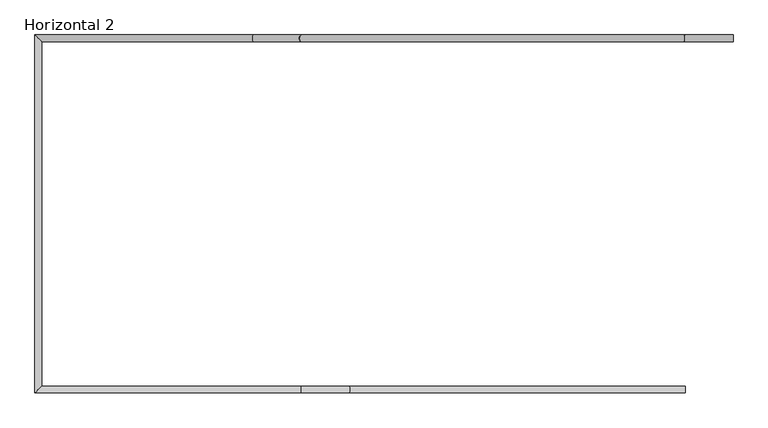
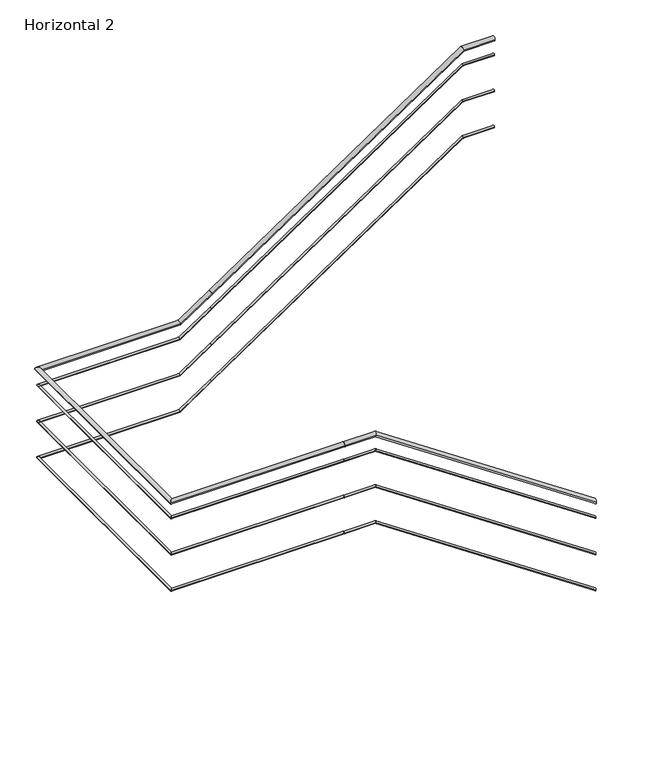
"""IFC4 building model written with IfcOpenShell, lengths in millimetres: railing geometry, Horizontal 2."""

from ifc_helpers import new_model, si_unit, frame, origin, place, context, project, spatial, circle_curve, ellipse_curve, source, transform, mapped, element, save
from ifc_brep_helpers import plane_surface, cylinder_surface, advanced_brep


def horizontal_2_a5421986(model_context):
    return source(origin(), model_context, "Body", "AdvancedBrep", [
        advanced_brep(
        [(27223.6802172, 2580.0722769, 1168.2352941), (27223.6802172, 2540.0722769, 1168.2352941), (25263.6802172, 2540.0722769, 2485.8823529), (25263.6802172, 2580.0722769, 2485.8823529), (24983.6802172, 2580.0722769, 2485.8823529), (24983.6802172, 2540.0722769, 2485.8823529)],
        [
            (0, 1, ellipse_curve(frame((27223.6802172, 2560.0722769, 1168.2352941), z_axis=(1.0, 0.0, 0.0), x_axis=(0.0, 0.0, -1.0)), 24.0993401, 20.0)),
            (1, 0, ellipse_curve(frame((27223.6802172, 2560.0722769, 1168.2352941), z_axis=(1.0, 0.0, 0.0), x_axis=(0.0, 0.0, -1.0)), 24.0993401, 20.0)),
            (1, 2),
            (2, 3, ellipse_curve(frame((25263.6802172, 2560.0722769, 2485.8823529), z_axis=(0.9565297283578037, 0.0, -0.29163483805565177), x_axis=(-0.2916348380556515, 0.0, -0.9565297283578038)), 20.9089163, 20.0)),
            (3, 0),
            (3, 2, ellipse_curve(frame((25263.6802172, 2560.0722769, 2485.8823529), z_axis=(0.9565297283578037, 0.0, -0.29163483805565177), x_axis=(-0.2916348380556515, 0.0, -0.9565297283578038)), 20.9089163, 20.0)),
            (4, 5, circle_curve(frame((24983.6802172, 2560.0722769, 2485.8823529), z_axis=(-1.0, 0.0, 0.0), x_axis=(0.0, -1.0, 0.0)), 20.0)),
            (5, 4, circle_curve(frame((24983.6802172, 2560.0722769, 2485.8823529), z_axis=(-1.0, 0.0, 0.0), x_axis=(0.0, -1.0, 0.0)), 20.0)),
            (2, 5),
            (4, 3),
        ],
        [
            plane_surface(frame((27223.6802172, 2560.0722769, 1168.2352941), z_axis=(1.0, 0.0, 0.0), x_axis=(0.0, -1.0, 0.0))),
            cylinder_surface(frame((27223.6802172, 2560.0722769, 1168.2352941), z_axis=(0.8298982424645077, 0.0, -0.5579147848500892), x_axis=(0.0, -1.0, 0.0)), 20.0),
            plane_surface(frame((24983.6802172, 2560.0722769, 2485.8823529), z_axis=(-1.0, 0.0, 0.0), x_axis=(0.0, -1.0, 0.0))),
            cylinder_surface(frame((25263.6802172, 2560.0722769, 2485.8823529), z_axis=(1.0, 0.0, 0.0), x_axis=(0.0, -1.0, 0.0)), 20.0),
        ],
        [
            (0, [[1, 2]]),
            (1, [[-2, 3, 4, 5]]),
            (1, [[-1, -5, 6, -3]]),
            (2, [[7, 8]]),
            (3, [[-4, 9, -7, 10]]),
            (3, [[-6, -10, -8, -9]]),
        ],
    ),
        advanced_brep(
        [(24983.6802172, 2580.0722769, 2485.8823529), (24983.6802172, 2540.0722769, 2485.8823529), (23469.0802172, 2580.0722769, 2485.8823529), (23429.0802172, 2540.0722769, 2485.8823529)],
        [
            (0, 1, circle_curve(frame((24983.6802172, 2560.0722769, 2485.8823529), z_axis=(1.0, 0.0, 0.0), x_axis=(0.0, -1.0, 0.0)), 20.0)),
            (1, 0, circle_curve(frame((24983.6802172, 2560.0722769, 2485.8823529), z_axis=(1.0, 0.0, 0.0), x_axis=(0.0, -1.0, 0.0)), 20.0)),
            (2, 3, ellipse_curve(frame((23449.0802172, 2560.0722769, 2485.8823529), z_axis=(-0.7071067811865462, 0.7071067811865488, 0.0), x_axis=(0.7071067811865488, 0.7071067811865462, 0.0)), 28.2842712, 20.0)),
            (3, 2, ellipse_curve(frame((23449.0802172, 2560.0722769, 2485.8823529), z_axis=(-0.7071067811865462, 0.7071067811865488, 0.0), x_axis=(0.7071067811865488, 0.7071067811865462, 0.0)), 28.2842712, 20.0)),
            (1, 3),
            (2, 0),
        ],
        [
            plane_surface(frame((24983.6802172, 2560.0722769, 2485.8823529), z_axis=(1.0, 0.0, 0.0), x_axis=(0.0, -1.0, 0.0))),
            plane_surface(frame((23449.0802172, 2560.0722769, 2485.8823529), z_axis=(-0.7071067811865462, 0.7071067811865488, 0.0), x_axis=(0.7071067811865488, 0.7071067811865462, 0.0))),
            cylinder_surface(frame((24983.6802172, 2560.0722769, 2485.8823529), z_axis=(1.0, 0.0, 0.0), x_axis=(0.0, -1.0, 0.0)), 20.0),
        ],
        [
            (0, [[1, 2]]),
            (1, [[3, 4]]),
            (2, [[-2, 5, -3, 6]]),
            (2, [[-1, -6, -4, -5]]),
        ],
    ),
        advanced_brep(
        [(23469.0802172, 2580.0722769, 2485.8823529), (23429.0802172, 2540.0722769, 2485.8823529), (23469.0802172, 4589.2722769, 2485.8823529), (23429.0802172, 4629.2722769, 2485.8823529)],
        [
            (0, 1, ellipse_curve(frame((23449.0802172, 2560.0722769, 2485.8823529), z_axis=(0.7071067811865462, -0.7071067811865488, 0.0), x_axis=(-0.7071067811865488, -0.7071067811865462, 0.0)), 28.2842712, 20.0)),
            (1, 0, ellipse_curve(frame((23449.0802172, 2560.0722769, 2485.8823529), z_axis=(0.7071067811865462, -0.7071067811865488, 0.0), x_axis=(-0.7071067811865488, -0.7071067811865462, 0.0)), 28.2842712, 20.0)),
            (2, 3, ellipse_curve(frame((23449.0802172, 4609.2722769, 2485.8823529), z_axis=(0.7071067811865488, 0.7071067811865462, 0.0), x_axis=(0.7071067811865462, -0.7071067811865488, 0.0)), 28.2842712, 20.0)),
            (3, 2, ellipse_curve(frame((23449.0802172, 4609.2722769, 2485.8823529), z_axis=(0.7071067811865488, 0.7071067811865462, 0.0), x_axis=(0.7071067811865462, -0.7071067811865488, 0.0)), 28.2842712, 20.0)),
            (1, 3),
            (2, 0),
        ],
        [
            plane_surface(frame((23449.0802172, 2560.0722769, 2485.8823529), z_axis=(0.7071067811865462, -0.7071067811865488, 0.0), x_axis=(0.7071067811865488, 0.7071067811865462, 0.0))),
            plane_surface(frame((23449.0802172, 4609.2722769, 2485.8823529), z_axis=(0.7071067811865488, 0.7071067811865462, 0.0), x_axis=(0.7071067811865462, -0.7071067811865488, 0.0))),
            cylinder_surface(frame((23449.0802172, 2560.0722769, 2485.8823529), z_axis=(0.0, -1.0, 0.0), x_axis=(-1.0, 0.0, 0.0)), 20.0),
        ],
        [
            (0, [[1, 2]]),
            (1, [[3, 4]]),
            (2, [[-2, 5, -3, 6]]),
            (2, [[-1, -6, -4, -5]]),
        ],
    ),
        advanced_brep(
        [(23469.0802172, 4589.2722769, 2485.8823529), (23429.0802172, 4629.2722769, 2485.8823529), (24703.6802172, 4629.2722769, 2485.8823529), (24703.6802172, 4589.2722769, 2485.8823529), (24983.6802172, 4589.2722769, 2674.1176471), (24983.6802172, 4629.2722769, 2674.1176471)],
        [
            (0, 1, ellipse_curve(frame((23449.0802172, 4609.2722769, 2485.8823529), z_axis=(-0.7071067811865488, -0.7071067811865462, 0.0), x_axis=(-0.7071067811865462, 0.7071067811865488, 0.0)), 28.2842712, 20.0)),
            (1, 0, ellipse_curve(frame((23449.0802172, 4609.2722769, 2485.8823529), z_axis=(-0.7071067811865488, -0.7071067811865462, 0.0), x_axis=(-0.7071067811865462, 0.7071067811865488, 0.0)), 28.2842712, 20.0)),
            (1, 2),
            (2, 3, ellipse_curve(frame((24703.6802172, 4609.2722769, 2485.8823529), z_axis=(-0.9565297283578037, 0.0, -0.29163483805565144), x_axis=(-0.29163483805565227, 0.0, 0.9565297283578036)), 20.9089163, 20.0)),
            (3, 0),
            (3, 2, ellipse_curve(frame((24703.6802172, 4609.2722769, 2485.8823529), z_axis=(-0.9565297283578037, 0.0, -0.29163483805565144), x_axis=(-0.29163483805565227, 0.0, 0.9565297283578036)), 20.9089163, 20.0)),
            (4, 5, circle_curve(frame((24983.6802172, 4609.2722769, 2674.1176471), z_axis=(0.8298982424645079, 0.0, 0.5579147848500888), x_axis=(0.0, 1.0, 0.0)), 20.0)),
            (5, 4, circle_curve(frame((24983.6802172, 4609.2722769, 2674.1176471), z_axis=(0.8298982424645079, 0.0, 0.5579147848500888), x_axis=(0.0, 1.0, 0.0)), 20.0)),
            (2, 5),
            (4, 3),
        ],
        [
            plane_surface(frame((23449.0802172, 4609.2722769, 2485.8823529), z_axis=(-0.7071067811865488, -0.7071067811865462, 0.0), x_axis=(0.7071067811865462, -0.7071067811865488, 0.0))),
            cylinder_surface(frame((23449.0802172, 4609.2722769, 2485.8823529), z_axis=(-1.0, 0.0, 0.0), x_axis=(0.0, 1.0, 0.0)), 20.0),
            plane_surface(frame((24983.6802172, 4609.2722769, 2674.1176471), z_axis=(0.8298982424645079, 0.0, 0.5579147848500888), x_axis=(0.5579147848500888, 0.0, -0.8298982424645079))),
            cylinder_surface(frame((24703.6802172, 4609.2722769, 2485.8823529), z_axis=(-0.8298982424645079, 0.0, -0.5579147848500888), x_axis=(0.0, 1.0, 0.0)), 20.0),
        ],
        [
            (0, [[1, 2]]),
            (1, [[-2, 3, 4, 5]]),
            (1, [[-1, -5, 6, -3]]),
            (2, [[7, 8]]),
            (3, [[-4, 9, -7, 10]]),
            (3, [[-6, -10, -8, -9]]),
        ],
    ),
        advanced_brep(
        [(24983.6802172, 4589.2722769, 2674.1176471), (24983.6802172, 4629.2722769, 2674.1176471), (27223.6802172, 4629.2722769, 4180.0), (27223.6802172, 4589.2722769, 4180.0), (27503.6802172, 4589.2722769, 4180.0), (27503.6802172, 4629.2722769, 4180.0)],
        [
            (0, 1, circle_curve(frame((24983.6802172, 4609.2722769, 2674.1176471), z_axis=(-0.8298982424645078, 0.0, -0.557914784850089), x_axis=(0.0, 1.0, 0.0)), 20.0)),
            (1, 0, circle_curve(frame((24983.6802172, 4609.2722769, 2674.1176471), z_axis=(-0.8298982424645078, 0.0, -0.557914784850089), x_axis=(0.0, 1.0, 0.0)), 20.0)),
            (1, 2),
            (2, 3, ellipse_curve(frame((27223.6802172, 4609.2722769, 4180.0), z_axis=(-0.9565297283578038, 0.0, -0.2916348380556516), x_axis=(0.2916348380556518, 0.0, -0.9565297283578036)), 20.9089163, 20.0)),
            (3, 0),
            (3, 2, ellipse_curve(frame((27223.6802172, 4609.2722769, 4180.0), z_axis=(-0.9565297283578038, 0.0, -0.2916348380556516), x_axis=(0.2916348380556518, 0.0, -0.9565297283578036)), 20.9089163, 20.0)),
            (4, 5, circle_curve(frame((27503.6802172, 4609.2722769, 4180.0), z_axis=(1.0, 0.0, 0.0), x_axis=(0.0, 1.0, 0.0)), 20.0)),
            (5, 4, circle_curve(frame((27503.6802172, 4609.2722769, 4180.0), z_axis=(1.0, 0.0, 0.0), x_axis=(0.0, 1.0, 0.0)), 20.0)),
            (2, 5),
            (4, 3),
        ],
        [
            plane_surface(frame((24983.6802172, 4609.2722769, 2674.1176471), z_axis=(-0.8298982424645078, 0.0, -0.557914784850089), x_axis=(0.557914784850089, 0.0, -0.8298982424645078))),
            cylinder_surface(frame((24983.6802172, 4609.2722769, 2674.1176471), z_axis=(-0.8298982424645078, 0.0, -0.557914784850089), x_axis=(0.0, 1.0, 0.0)), 20.0),
            plane_surface(frame((27503.6802172, 4609.2722769, 4180.0), z_axis=(1.0, 0.0, 0.0), x_axis=(0.0, 1.0, 0.0))),
            cylinder_surface(frame((27223.6802172, 4609.2722769, 4180.0), z_axis=(-1.0, 0.0, 0.0), x_axis=(0.0, 1.0, 0.0)), 20.0),
        ],
        [
            (0, [[1, 2]]),
            (1, [[-2, 3, 4, 5]]),
            (1, [[-1, -5, 6, -3]]),
            (2, [[7, 8]]),
            (3, [[-4, 9, -7, 10]]),
            (3, [[-6, -10, -8, -9]]),
        ],
    ),
        advanced_brep(
        [(27223.6802172, 2570.0722769, 1018.2352941), (27223.6802172, 2550.0722769, 1018.2352941), (25263.6802172, 2550.0722769, 2335.8823529), (25263.6802172, 2570.0722769, 2335.8823529), (24983.6802172, 2570.0722769, 2335.8823529), (24983.6802172, 2550.0722769, 2335.8823529)],
        [
            (0, 1, ellipse_curve(frame((27223.6802172, 2560.0722769, 1018.2352941), z_axis=(1.0, 0.0, 0.0), x_axis=(0.0, 0.0, -1.0)), 12.0496701, 10.0)),
            (1, 0, ellipse_curve(frame((27223.6802172, 2560.0722769, 1018.2352941), z_axis=(1.0, 0.0, 0.0), x_axis=(0.0, 0.0, -1.0)), 12.0496701, 10.0)),
            (1, 2),
            (2, 3, ellipse_curve(frame((25263.6802172, 2560.0722769, 2335.8823529), z_axis=(0.9565297283578037, 0.0, -0.29163483805565177), x_axis=(-0.2916348380556515, 0.0, -0.9565297283578038)), 10.4544581, 10.0)),
            (3, 0),
            (3, 2, ellipse_curve(frame((25263.6802172, 2560.0722769, 2335.8823529), z_axis=(0.9565297283578037, 0.0, -0.29163483805565177), x_axis=(-0.2916348380556515, 0.0, -0.9565297283578038)), 10.4544581, 10.0)),
            (4, 5, circle_curve(frame((24983.6802172, 2560.0722769, 2335.8823529), z_axis=(-1.0, 0.0, 0.0), x_axis=(0.0, -1.0, 0.0)), 10.0)),
            (5, 4, circle_curve(frame((24983.6802172, 2560.0722769, 2335.8823529), z_axis=(-1.0, 0.0, 0.0), x_axis=(0.0, -1.0, 0.0)), 10.0)),
            (2, 5),
            (4, 3),
        ],
        [
            plane_surface(frame((27223.6802172, 2560.0722769, 1018.2352941), z_axis=(1.0, 0.0, 0.0), x_axis=(0.0, -1.0, 0.0))),
            cylinder_surface(frame((27223.6802172, 2560.0722769, 1018.2352941), z_axis=(0.8298982424645077, 0.0, -0.5579147848500892), x_axis=(0.0, -1.0, 0.0)), 10.0),
            plane_surface(frame((24983.6802172, 2560.0722769, 2335.8823529), z_axis=(-1.0, 0.0, 0.0), x_axis=(0.0, -1.0, 0.0))),
            cylinder_surface(frame((25263.6802172, 2560.0722769, 2335.8823529), z_axis=(1.0, 0.0, 0.0), x_axis=(0.0, -1.0, 0.0)), 10.0),
        ],
        [
            (0, [[1, 2]]),
            (1, [[-2, 3, 4, 5]]),
            (1, [[-1, -5, 6, -3]]),
            (2, [[7, 8]]),
            (3, [[-4, 9, -7, 10]]),
            (3, [[-6, -10, -8, -9]]),
        ],
    ),
        advanced_brep(
        [(24983.6802172, 2570.0722769, 2335.8823529), (24983.6802172, 2550.0722769, 2335.8823529), (23459.0802172, 2570.0722769, 2335.8823529), (23439.0802172, 2550.0722769, 2335.8823529)],
        [
            (0, 1, circle_curve(frame((24983.6802172, 2560.0722769, 2335.8823529), z_axis=(1.0, 0.0, 0.0), x_axis=(0.0, -1.0, 0.0)), 10.0)),
            (1, 0, circle_curve(frame((24983.6802172, 2560.0722769, 2335.8823529), z_axis=(1.0, 0.0, 0.0), x_axis=(0.0, -1.0, 0.0)), 10.0)),
            (2, 3, ellipse_curve(frame((23449.0802172, 2560.0722769, 2335.8823529), z_axis=(-0.7071067811865462, 0.7071067811865488, 0.0), x_axis=(0.7071067811865488, 0.7071067811865462, 0.0)), 14.1421356, 10.0)),
            (3, 2, ellipse_curve(frame((23449.0802172, 2560.0722769, 2335.8823529), z_axis=(-0.7071067811865462, 0.7071067811865488, 0.0), x_axis=(0.7071067811865488, 0.7071067811865462, 0.0)), 14.1421356, 10.0)),
            (1, 3),
            (2, 0),
        ],
        [
            plane_surface(frame((24983.6802172, 2560.0722769, 2335.8823529), z_axis=(1.0, 0.0, 0.0), x_axis=(0.0, -1.0, 0.0))),
            plane_surface(frame((23449.0802172, 2560.0722769, 2335.8823529), z_axis=(-0.7071067811865462, 0.7071067811865488, 0.0), x_axis=(0.7071067811865488, 0.7071067811865462, 0.0))),
            cylinder_surface(frame((24983.6802172, 2560.0722769, 2335.8823529), z_axis=(1.0, 0.0, 0.0), x_axis=(0.0, -1.0, 0.0)), 10.0),
        ],
        [
            (0, [[1, 2]]),
            (1, [[3, 4]]),
            (2, [[-2, 5, -3, 6]]),
            (2, [[-1, -6, -4, -5]]),
        ],
    ),
        advanced_brep(
        [(23459.0802172, 2570.0722769, 2335.8823529), (23439.0802172, 2550.0722769, 2335.8823529), (23459.0802172, 4599.2722769, 2335.8823529), (23439.0802172, 4619.2722769, 2335.8823529)],
        [
            (0, 1, ellipse_curve(frame((23449.0802172, 2560.0722769, 2335.8823529), z_axis=(0.7071067811865462, -0.7071067811865488, 0.0), x_axis=(-0.7071067811865488, -0.7071067811865462, 0.0)), 14.1421356, 10.0)),
            (1, 0, ellipse_curve(frame((23449.0802172, 2560.0722769, 2335.8823529), z_axis=(0.7071067811865462, -0.7071067811865488, 0.0), x_axis=(-0.7071067811865488, -0.7071067811865462, 0.0)), 14.1421356, 10.0)),
            (2, 3, ellipse_curve(frame((23449.0802172, 4609.2722769, 2335.8823529), z_axis=(0.7071067811865488, 0.7071067811865462, 0.0), x_axis=(0.7071067811865462, -0.7071067811865488, 0.0)), 14.1421356, 10.0)),
            (3, 2, ellipse_curve(frame((23449.0802172, 4609.2722769, 2335.8823529), z_axis=(0.7071067811865488, 0.7071067811865462, 0.0), x_axis=(0.7071067811865462, -0.7071067811865488, 0.0)), 14.1421356, 10.0)),
            (1, 3),
            (2, 0),
        ],
        [
            plane_surface(frame((23449.0802172, 2560.0722769, 2335.8823529), z_axis=(0.7071067811865462, -0.7071067811865488, 0.0), x_axis=(0.7071067811865488, 0.7071067811865462, 0.0))),
            plane_surface(frame((23449.0802172, 4609.2722769, 2335.8823529), z_axis=(0.7071067811865488, 0.7071067811865462, 0.0), x_axis=(0.7071067811865462, -0.7071067811865488, 0.0))),
            cylinder_surface(frame((23449.0802172, 2560.0722769, 2335.8823529), z_axis=(0.0, -1.0, 0.0), x_axis=(-1.0, 0.0, 0.0)), 10.0),
        ],
        [
            (0, [[1, 2]]),
            (1, [[3, 4]]),
            (2, [[-2, 5, -3, 6]]),
            (2, [[-1, -6, -4, -5]]),
        ],
    ),
        advanced_brep(
        [(23459.0802172, 4599.2722769, 2335.8823529), (23439.0802172, 4619.2722769, 2335.8823529), (24703.6802172, 4619.2722769, 2335.8823529), (24703.6802172, 4599.2722769, 2335.8823529), (24983.6802172, 4599.2722769, 2524.1176471), (24983.6802172, 4619.2722769, 2524.1176471)],
        [
            (0, 1, ellipse_curve(frame((23449.0802172, 4609.2722769, 2335.8823529), z_axis=(-0.7071067811865488, -0.7071067811865462, 0.0), x_axis=(-0.7071067811865462, 0.7071067811865488, 0.0)), 14.1421356, 10.0)),
            (1, 0, ellipse_curve(frame((23449.0802172, 4609.2722769, 2335.8823529), z_axis=(-0.7071067811865488, -0.7071067811865462, 0.0), x_axis=(-0.7071067811865462, 0.7071067811865488, 0.0)), 14.1421356, 10.0)),
            (1, 2),
            (2, 3, ellipse_curve(frame((24703.6802172, 4609.2722769, 2335.8823529), z_axis=(-0.9565297283578037, 0.0, -0.29163483805565144), x_axis=(-0.29163483805565227, 0.0, 0.9565297283578036)), 10.4544581, 10.0)),
            (3, 0),
            (3, 2, ellipse_curve(frame((24703.6802172, 4609.2722769, 2335.8823529), z_axis=(-0.9565297283578037, 0.0, -0.29163483805565144), x_axis=(-0.29163483805565227, 0.0, 0.9565297283578036)), 10.4544581, 10.0)),
            (4, 5, circle_curve(frame((24983.6802172, 4609.2722769, 2524.1176471), z_axis=(0.8298982424645079, 0.0, 0.5579147848500888), x_axis=(0.0, 1.0, 0.0)), 10.0)),
            (5, 4, circle_curve(frame((24983.6802172, 4609.2722769, 2524.1176471), z_axis=(0.8298982424645079, 0.0, 0.5579147848500888), x_axis=(0.0, 1.0, 0.0)), 10.0)),
            (2, 5),
            (4, 3),
        ],
        [
            plane_surface(frame((23449.0802172, 4609.2722769, 2335.8823529), z_axis=(-0.7071067811865488, -0.7071067811865462, 0.0), x_axis=(0.7071067811865462, -0.7071067811865488, 0.0))),
            cylinder_surface(frame((23449.0802172, 4609.2722769, 2335.8823529), z_axis=(-1.0, 0.0, 0.0), x_axis=(0.0, 1.0, 0.0)), 10.0),
            plane_surface(frame((24983.6802172, 4609.2722769, 2524.1176471), z_axis=(0.8298982424645079, 0.0, 0.5579147848500888), x_axis=(0.5579147848500888, 0.0, -0.8298982424645079))),
            cylinder_surface(frame((24703.6802172, 4609.2722769, 2335.8823529), z_axis=(-0.8298982424645079, 0.0, -0.5579147848500888), x_axis=(0.0, 1.0, 0.0)), 10.0),
        ],
        [
            (0, [[1, 2]]),
            (1, [[-2, 3, 4, 5]]),
            (1, [[-1, -5, 6, -3]]),
            (2, [[7, 8]]),
            (3, [[-4, 9, -7, 10]]),
            (3, [[-6, -10, -8, -9]]),
        ],
    ),
        advanced_brep(
        [(24983.6802172, 4599.2722769, 2524.1176471), (24983.6802172, 4619.2722769, 2524.1176471), (27223.6802172, 4619.2722769, 4030.0), (27223.6802172, 4599.2722769, 4030.0), (27503.6802172, 4599.2722769, 4030.0), (27503.6802172, 4619.2722769, 4030.0)],
        [
            (0, 1, circle_curve(frame((24983.6802172, 4609.2722769, 2524.1176471), z_axis=(-0.8298982424645078, 0.0, -0.557914784850089), x_axis=(0.0, 1.0, 0.0)), 10.0)),
            (1, 0, circle_curve(frame((24983.6802172, 4609.2722769, 2524.1176471), z_axis=(-0.8298982424645078, 0.0, -0.557914784850089), x_axis=(0.0, 1.0, 0.0)), 10.0)),
            (1, 2),
            (2, 3, ellipse_curve(frame((27223.6802172, 4609.2722769, 4030.0), z_axis=(-0.9565297283578038, 0.0, -0.2916348380556516), x_axis=(0.2916348380556518, 0.0, -0.9565297283578036)), 10.4544581, 10.0)),
            (3, 0),
            (3, 2, ellipse_curve(frame((27223.6802172, 4609.2722769, 4030.0), z_axis=(-0.9565297283578038, 0.0, -0.2916348380556516), x_axis=(0.2916348380556518, 0.0, -0.9565297283578036)), 10.4544581, 10.0)),
            (4, 5, circle_curve(frame((27503.6802172, 4609.2722769, 4030.0), z_axis=(1.0, 0.0, 0.0), x_axis=(0.0, 1.0, 0.0)), 10.0)),
            (5, 4, circle_curve(frame((27503.6802172, 4609.2722769, 4030.0), z_axis=(1.0, 0.0, 0.0), x_axis=(0.0, 1.0, 0.0)), 10.0)),
            (2, 5),
            (4, 3),
        ],
        [
            plane_surface(frame((24983.6802172, 4609.2722769, 2524.1176471), z_axis=(-0.8298982424645078, 0.0, -0.557914784850089), x_axis=(0.557914784850089, 0.0, -0.8298982424645078))),
            cylinder_surface(frame((24983.6802172, 4609.2722769, 2524.1176471), z_axis=(-0.8298982424645078, 0.0, -0.557914784850089), x_axis=(0.0, 1.0, 0.0)), 10.0),
            plane_surface(frame((27503.6802172, 4609.2722769, 4030.0), z_axis=(1.0, 0.0, 0.0), x_axis=(0.0, 1.0, 0.0))),
            cylinder_surface(frame((27223.6802172, 4609.2722769, 4030.0), z_axis=(-1.0, 0.0, 0.0), x_axis=(0.0, 1.0, 0.0)), 10.0),
        ],
        [
            (0, [[1, 2]]),
            (1, [[-2, 3, 4, 5]]),
            (1, [[-1, -5, 6, -3]]),
            (2, [[7, 8]]),
            (3, [[-4, 9, -7, 10]]),
            (3, [[-6, -10, -8, -9]]),
        ],
    ),
        advanced_brep(
        [(27223.6802172, 2570.0722769, 678.2352941), (27223.6802172, 2550.0722769, 678.2352941), (25263.6802172, 2570.0722769, 1995.8823529), (25263.6802172, 2550.0722769, 1995.8823529), (24983.6802172, 2570.0722769, 1995.8823529), (24983.6802172, 2550.0722769, 1995.8823529)],
        [
            (0, 1, ellipse_curve(frame((27223.6802172, 2560.0722769, 678.2352941), z_axis=(1.0, 0.0, 0.0), x_axis=(0.0, 0.0, -1.0)), 12.0496701, 10.0)),
            (1, 0, ellipse_curve(frame((27223.6802172, 2560.0722769, 678.2352941), z_axis=(1.0, 0.0, 0.0), x_axis=(0.0, 0.0, -1.0)), 12.0496701, 10.0)),
            (0, 2),
            (2, 3, ellipse_curve(frame((25263.6802172, 2560.0722769, 1995.8823529), z_axis=(0.9565297283578037, 0.0, -0.29163483805565177), x_axis=(-0.2916348380556515, 0.0, -0.9565297283578038)), 10.4544581, 10.0)),
            (3, 1),
            (3, 2, ellipse_curve(frame((25263.6802172, 2560.0722769, 1995.8823529), z_axis=(0.9565297283578037, 0.0, -0.29163483805565177), x_axis=(-0.2916348380556515, 0.0, -0.9565297283578038)), 10.4544581, 10.0)),
            (4, 5, circle_curve(frame((24983.6802172, 2560.0722769, 1995.8823529), z_axis=(-1.0, 0.0, 0.0), x_axis=(0.0, -1.0, 0.0)), 10.0)),
            (5, 4, circle_curve(frame((24983.6802172, 2560.0722769, 1995.8823529), z_axis=(-1.0, 0.0, 0.0), x_axis=(0.0, -1.0, 0.0)), 10.0)),
            (2, 4),
            (5, 3),
        ],
        [
            plane_surface(frame((27223.6802172, 2560.0722769, 678.2352941), z_axis=(1.0, 0.0, 0.0), x_axis=(0.0, -1.0, 0.0))),
            cylinder_surface(frame((27223.6802172, 2560.0722769, 678.2352941), z_axis=(0.8298982424645077, 0.0, -0.5579147848500892), x_axis=(0.0, -1.0, 0.0)), 10.0),
            plane_surface(frame((24983.6802172, 2560.0722769, 1995.8823529), z_axis=(-1.0, 0.0, 0.0), x_axis=(0.0, -1.0, 0.0))),
            cylinder_surface(frame((25263.6802172, 2560.0722769, 1995.8823529), z_axis=(1.0, 0.0, 0.0), x_axis=(0.0, -1.0, 0.0)), 10.0),
        ],
        [
            (0, [[1, 2]]),
            (1, [[-1, 3, 4, 5]]),
            (1, [[-2, -5, 6, -3]]),
            (2, [[7, 8]]),
            (3, [[-4, 9, -8, 10]]),
            (3, [[-6, -10, -7, -9]]),
        ],
    ),
        advanced_brep(
        [(24983.6802172, 2570.0722769, 1995.8823529), (24983.6802172, 2550.0722769, 1995.8823529), (23459.0802172, 2570.0722769, 1995.8823529), (23439.0802172, 2550.0722769, 1995.8823529)],
        [
            (0, 1, circle_curve(frame((24983.6802172, 2560.0722769, 1995.8823529), z_axis=(1.0, 0.0, 0.0), x_axis=(0.0, -1.0, 0.0)), 10.0)),
            (1, 0, circle_curve(frame((24983.6802172, 2560.0722769, 1995.8823529), z_axis=(1.0, 0.0, 0.0), x_axis=(0.0, -1.0, 0.0)), 10.0)),
            (2, 3, ellipse_curve(frame((23449.0802172, 2560.0722769, 1995.8823529), z_axis=(-0.7071067811865462, 0.7071067811865488, 0.0), x_axis=(0.7071067811865488, 0.7071067811865462, 0.0)), 14.1421356, 10.0)),
            (3, 2, ellipse_curve(frame((23449.0802172, 2560.0722769, 1995.8823529), z_axis=(-0.7071067811865462, 0.7071067811865488, 0.0), x_axis=(0.7071067811865488, 0.7071067811865462, 0.0)), 14.1421356, 10.0)),
            (0, 2),
            (3, 1),
        ],
        [
            plane_surface(frame((24983.6802172, 2560.0722769, 1995.8823529), z_axis=(1.0, 0.0, 0.0), x_axis=(0.0, -1.0, 0.0))),
            plane_surface(frame((23449.0802172, 2560.0722769, 1995.8823529), z_axis=(-0.7071067811865462, 0.7071067811865488, 0.0), x_axis=(0.7071067811865488, 0.7071067811865462, 0.0))),
            cylinder_surface(frame((24983.6802172, 2560.0722769, 1995.8823529), z_axis=(1.0, 0.0, 0.0), x_axis=(0.0, -1.0, 0.0)), 10.0),
        ],
        [
            (0, [[1, 2]]),
            (1, [[3, 4]]),
            (2, [[-1, 5, -4, 6]]),
            (2, [[-2, -6, -3, -5]]),
        ],
    ),
        advanced_brep(
        [(23459.0802172, 2570.0722769, 1995.8823529), (23439.0802172, 2550.0722769, 1995.8823529), (23459.0802172, 4599.2722769, 1995.8823529), (23439.0802172, 4619.2722769, 1995.8823529)],
        [
            (0, 1, ellipse_curve(frame((23449.0802172, 2560.0722769, 1995.8823529), z_axis=(0.7071067811865462, -0.7071067811865488, 0.0), x_axis=(-0.7071067811865488, -0.7071067811865462, 0.0)), 14.1421356, 10.0)),
            (1, 0, ellipse_curve(frame((23449.0802172, 2560.0722769, 1995.8823529), z_axis=(0.7071067811865462, -0.7071067811865488, 0.0), x_axis=(-0.7071067811865488, -0.7071067811865462, 0.0)), 14.1421356, 10.0)),
            (2, 3, ellipse_curve(frame((23449.0802172, 4609.2722769, 1995.8823529), z_axis=(0.7071067811865488, 0.7071067811865462, 0.0), x_axis=(0.7071067811865462, -0.7071067811865488, 0.0)), 14.1421356, 10.0)),
            (3, 2, ellipse_curve(frame((23449.0802172, 4609.2722769, 1995.8823529), z_axis=(0.7071067811865488, 0.7071067811865462, 0.0), x_axis=(0.7071067811865462, -0.7071067811865488, 0.0)), 14.1421356, 10.0)),
            (0, 2),
            (3, 1),
        ],
        [
            plane_surface(frame((23449.0802172, 2560.0722769, 1995.8823529), z_axis=(0.7071067811865462, -0.7071067811865488, 0.0), x_axis=(0.7071067811865488, 0.7071067811865462, 0.0))),
            plane_surface(frame((23449.0802172, 4609.2722769, 1995.8823529), z_axis=(0.7071067811865488, 0.7071067811865462, 0.0), x_axis=(0.7071067811865462, -0.7071067811865488, 0.0))),
            cylinder_surface(frame((23449.0802172, 2560.0722769, 1995.8823529), z_axis=(0.0, -1.0, 0.0), x_axis=(-1.0, 0.0, 0.0)), 10.0),
        ],
        [
            (0, [[1, 2]]),
            (1, [[3, 4]]),
            (2, [[-1, 5, -4, 6]]),
            (2, [[-2, -6, -3, -5]]),
        ],
    ),
        advanced_brep(
        [(23459.0802172, 4599.2722769, 1995.8823529), (23439.0802172, 4619.2722769, 1995.8823529), (24703.6802172, 4599.2722769, 1995.8823529), (24703.6802172, 4619.2722769, 1995.8823529), (24983.6802172, 4599.2722769, 2184.1176471), (24983.6802172, 4619.2722769, 2184.1176471)],
        [
            (0, 1, ellipse_curve(frame((23449.0802172, 4609.2722769, 1995.8823529), z_axis=(-0.7071067811865488, -0.7071067811865462, 0.0), x_axis=(-0.7071067811865462, 0.7071067811865488, 0.0)), 14.1421356, 10.0)),
            (1, 0, ellipse_curve(frame((23449.0802172, 4609.2722769, 1995.8823529), z_axis=(-0.7071067811865488, -0.7071067811865462, 0.0), x_axis=(-0.7071067811865462, 0.7071067811865488, 0.0)), 14.1421356, 10.0)),
            (0, 2),
            (2, 3, ellipse_curve(frame((24703.6802172, 4609.2722769, 1995.8823529), z_axis=(-0.9565297283578037, 0.0, -0.29163483805565144), x_axis=(-0.29163483805565227, 0.0, 0.9565297283578036)), 10.4544581, 10.0)),
            (3, 1),
            (3, 2, ellipse_curve(frame((24703.6802172, 4609.2722769, 1995.8823529), z_axis=(-0.9565297283578037, 0.0, -0.29163483805565144), x_axis=(-0.29163483805565227, 0.0, 0.9565297283578036)), 10.4544581, 10.0)),
            (4, 5, circle_curve(frame((24983.6802172, 4609.2722769, 2184.1176471), z_axis=(0.8298982424645079, 0.0, 0.5579147848500888), x_axis=(0.0, 1.0, 0.0)), 10.0)),
            (5, 4, circle_curve(frame((24983.6802172, 4609.2722769, 2184.1176471), z_axis=(0.8298982424645079, 0.0, 0.5579147848500888), x_axis=(0.0, 1.0, 0.0)), 10.0)),
            (2, 4),
            (5, 3),
        ],
        [
            plane_surface(frame((23449.0802172, 4609.2722769, 1995.8823529), z_axis=(-0.7071067811865488, -0.7071067811865462, 0.0), x_axis=(0.7071067811865462, -0.7071067811865488, 0.0))),
            cylinder_surface(frame((23449.0802172, 4609.2722769, 1995.8823529), z_axis=(-1.0, 0.0, 0.0), x_axis=(0.0, 1.0, 0.0)), 10.0),
            plane_surface(frame((24983.6802172, 4609.2722769, 2184.1176471), z_axis=(0.8298982424645079, 0.0, 0.5579147848500888), x_axis=(0.5579147848500888, 0.0, -0.8298982424645079))),
            cylinder_surface(frame((24703.6802172, 4609.2722769, 1995.8823529), z_axis=(-0.8298982424645079, 0.0, -0.5579147848500888), x_axis=(0.0, 1.0, 0.0)), 10.0),
        ],
        [
            (0, [[1, 2]]),
            (1, [[-1, 3, 4, 5]]),
            (1, [[-2, -5, 6, -3]]),
            (2, [[7, 8]]),
            (3, [[-4, 9, -8, 10]]),
            (3, [[-6, -10, -7, -9]]),
        ],
    ),
        advanced_brep(
        [(24983.6802172, 4599.2722769, 2184.1176471), (24983.6802172, 4619.2722769, 2184.1176471), (27223.6802172, 4599.2722769, 3690.0), (27223.6802172, 4619.2722769, 3690.0), (27503.6802172, 4599.2722769, 3690.0), (27503.6802172, 4619.2722769, 3690.0)],
        [
            (0, 1, circle_curve(frame((24983.6802172, 4609.2722769, 2184.1176471), z_axis=(-0.8298982424645078, 0.0, -0.557914784850089), x_axis=(0.0, 1.0, 0.0)), 10.0)),
            (1, 0, circle_curve(frame((24983.6802172, 4609.2722769, 2184.1176471), z_axis=(-0.8298982424645078, 0.0, -0.557914784850089), x_axis=(0.0, 1.0, 0.0)), 10.0)),
            (0, 2),
            (2, 3, ellipse_curve(frame((27223.6802172, 4609.2722769, 3690.0), z_axis=(-0.9565297283578038, 0.0, -0.2916348380556516), x_axis=(0.2916348380556518, 0.0, -0.9565297283578036)), 10.4544581, 10.0)),
            (3, 1),
            (3, 2, ellipse_curve(frame((27223.6802172, 4609.2722769, 3690.0), z_axis=(-0.9565297283578038, 0.0, -0.2916348380556516), x_axis=(0.2916348380556518, 0.0, -0.9565297283578036)), 10.4544581, 10.0)),
            (4, 5, circle_curve(frame((27503.6802172, 4609.2722769, 3690.0), z_axis=(1.0, 0.0, 0.0), x_axis=(0.0, 1.0, 0.0)), 10.0)),
            (5, 4, circle_curve(frame((27503.6802172, 4609.2722769, 3690.0), z_axis=(1.0, 0.0, 0.0), x_axis=(0.0, 1.0, 0.0)), 10.0)),
            (2, 4),
            (5, 3),
        ],
        [
            plane_surface(frame((24983.6802172, 4609.2722769, 2184.1176471), z_axis=(-0.8298982424645078, 0.0, -0.557914784850089), x_axis=(0.557914784850089, 0.0, -0.8298982424645078))),
            cylinder_surface(frame((24983.6802172, 4609.2722769, 2184.1176471), z_axis=(-0.8298982424645078, 0.0, -0.557914784850089), x_axis=(0.0, 1.0, 0.0)), 10.0),
            plane_surface(frame((27503.6802172, 4609.2722769, 3690.0), z_axis=(1.0, 0.0, 0.0), x_axis=(0.0, 1.0, 0.0))),
            cylinder_surface(frame((27223.6802172, 4609.2722769, 3690.0), z_axis=(-1.0, 0.0, 0.0), x_axis=(0.0, 1.0, 0.0)), 10.0),
        ],
        [
            (0, [[1, 2]]),
            (1, [[-1, 3, 4, 5]]),
            (1, [[-2, -5, 6, -3]]),
            (2, [[7, 8]]),
            (3, [[-4, 9, -8, 10]]),
            (3, [[-6, -10, -7, -9]]),
        ],
    ),
        advanced_brep(
        [(27223.6802172, 2570.0722769, 338.2352941), (27223.6802172, 2550.0722769, 338.2352941), (25263.6802172, 2570.0722769, 1655.8823529), (25263.6802172, 2550.0722769, 1655.8823529), (24983.6802172, 2570.0722769, 1655.8823529), (24983.6802172, 2550.0722769, 1655.8823529)],
        [
            (0, 1, ellipse_curve(frame((27223.6802172, 2560.0722769, 338.2352941), z_axis=(1.0, 0.0, 0.0), x_axis=(0.0, 0.0, -1.0)), 12.0496701, 10.0)),
            (1, 0, ellipse_curve(frame((27223.6802172, 2560.0722769, 338.2352941), z_axis=(1.0, 0.0, 0.0), x_axis=(0.0, 0.0, -1.0)), 12.0496701, 10.0)),
            (0, 2),
            (2, 3, ellipse_curve(frame((25263.6802172, 2560.0722769, 1655.8823529), z_axis=(0.9565297283578037, 0.0, -0.29163483805565177), x_axis=(-0.2916348380556515, 0.0, -0.9565297283578038)), 10.4544581, 10.0)),
            (3, 1),
            (3, 2, ellipse_curve(frame((25263.6802172, 2560.0722769, 1655.8823529), z_axis=(0.9565297283578037, 0.0, -0.29163483805565177), x_axis=(-0.2916348380556515, 0.0, -0.9565297283578038)), 10.4544581, 10.0)),
            (4, 5, circle_curve(frame((24983.6802172, 2560.0722769, 1655.8823529), z_axis=(-1.0, 0.0, 0.0), x_axis=(0.0, -1.0, 0.0)), 10.0)),
            (5, 4, circle_curve(frame((24983.6802172, 2560.0722769, 1655.8823529), z_axis=(-1.0, 0.0, 0.0), x_axis=(0.0, -1.0, 0.0)), 10.0)),
            (2, 4),
            (5, 3),
        ],
        [
            plane_surface(frame((27223.6802172, 2560.0722769, 338.2352941), z_axis=(1.0, 0.0, 0.0), x_axis=(0.0, -1.0, 0.0))),
            cylinder_surface(frame((27223.6802172, 2560.0722769, 338.2352941), z_axis=(0.8298982424645077, 0.0, -0.5579147848500892), x_axis=(0.0, -1.0, 0.0)), 10.0),
            plane_surface(frame((24983.6802172, 2560.0722769, 1655.8823529), z_axis=(-1.0, 0.0, 0.0), x_axis=(0.0, -1.0, 0.0))),
            cylinder_surface(frame((25263.6802172, 2560.0722769, 1655.8823529), z_axis=(1.0, 0.0, 0.0), x_axis=(0.0, -1.0, 0.0)), 10.0),
        ],
        [
            (0, [[1, 2]]),
            (1, [[-1, 3, 4, 5]]),
            (1, [[-2, -5, 6, -3]]),
            (2, [[7, 8]]),
            (3, [[-4, 9, -8, 10]]),
            (3, [[-6, -10, -7, -9]]),
        ],
    ),
        advanced_brep(
        [(24983.6802172, 2570.0722769, 1655.8823529), (24983.6802172, 2550.0722769, 1655.8823529), (23459.0802172, 2570.0722769, 1655.8823529), (23439.0802172, 2550.0722769, 1655.8823529)],
        [
            (0, 1, circle_curve(frame((24983.6802172, 2560.0722769, 1655.8823529), z_axis=(1.0, 0.0, 0.0), x_axis=(0.0, -1.0, 0.0)), 10.0)),
            (1, 0, circle_curve(frame((24983.6802172, 2560.0722769, 1655.8823529), z_axis=(1.0, 0.0, 0.0), x_axis=(0.0, -1.0, 0.0)), 10.0)),
            (2, 3, ellipse_curve(frame((23449.0802172, 2560.0722769, 1655.8823529), z_axis=(-0.7071067811865462, 0.7071067811865488, 0.0), x_axis=(0.7071067811865488, 0.7071067811865462, 0.0)), 14.1421356, 10.0)),
            (3, 2, ellipse_curve(frame((23449.0802172, 2560.0722769, 1655.8823529), z_axis=(-0.7071067811865462, 0.7071067811865488, 0.0), x_axis=(0.7071067811865488, 0.7071067811865462, 0.0)), 14.1421356, 10.0)),
            (0, 2),
            (3, 1),
        ],
        [
            plane_surface(frame((24983.6802172, 2560.0722769, 1655.8823529), z_axis=(1.0, 0.0, 0.0), x_axis=(0.0, -1.0, 0.0))),
            plane_surface(frame((23449.0802172, 2560.0722769, 1655.8823529), z_axis=(-0.7071067811865462, 0.7071067811865488, 0.0), x_axis=(0.7071067811865488, 0.7071067811865462, 0.0))),
            cylinder_surface(frame((24983.6802172, 2560.0722769, 1655.8823529), z_axis=(1.0, 0.0, 0.0), x_axis=(0.0, -1.0, 0.0)), 10.0),
        ],
        [
            (0, [[1, 2]]),
            (1, [[3, 4]]),
            (2, [[-1, 5, -4, 6]]),
            (2, [[-2, -6, -3, -5]]),
        ],
    ),
        advanced_brep(
        [(23459.0802172, 2570.0722769, 1655.8823529), (23439.0802172, 2550.0722769, 1655.8823529), (23459.0802172, 4599.2722769, 1655.8823529), (23439.0802172, 4619.2722769, 1655.8823529)],
        [
            (0, 1, ellipse_curve(frame((23449.0802172, 2560.0722769, 1655.8823529), z_axis=(0.7071067811865462, -0.7071067811865488, 0.0), x_axis=(-0.7071067811865488, -0.7071067811865462, 0.0)), 14.1421356, 10.0)),
            (1, 0, ellipse_curve(frame((23449.0802172, 2560.0722769, 1655.8823529), z_axis=(0.7071067811865462, -0.7071067811865488, 0.0), x_axis=(-0.7071067811865488, -0.7071067811865462, 0.0)), 14.1421356, 10.0)),
            (2, 3, ellipse_curve(frame((23449.0802172, 4609.2722769, 1655.8823529), z_axis=(0.7071067811865488, 0.7071067811865462, 0.0), x_axis=(0.7071067811865462, -0.7071067811865488, 0.0)), 14.1421356, 10.0)),
            (3, 2, ellipse_curve(frame((23449.0802172, 4609.2722769, 1655.8823529), z_axis=(0.7071067811865488, 0.7071067811865462, 0.0), x_axis=(0.7071067811865462, -0.7071067811865488, 0.0)), 14.1421356, 10.0)),
            (0, 2),
            (3, 1),
        ],
        [
            plane_surface(frame((23449.0802172, 2560.0722769, 1655.8823529), z_axis=(0.7071067811865462, -0.7071067811865488, 0.0), x_axis=(0.7071067811865488, 0.7071067811865462, 0.0))),
            plane_surface(frame((23449.0802172, 4609.2722769, 1655.8823529), z_axis=(0.7071067811865488, 0.7071067811865462, 0.0), x_axis=(0.7071067811865462, -0.7071067811865488, 0.0))),
            cylinder_surface(frame((23449.0802172, 2560.0722769, 1655.8823529), z_axis=(0.0, -1.0, 0.0), x_axis=(-1.0, 0.0, 0.0)), 10.0),
        ],
        [
            (0, [[1, 2]]),
            (1, [[3, 4]]),
            (2, [[-1, 5, -4, 6]]),
            (2, [[-2, -6, -3, -5]]),
        ],
    ),
        advanced_brep(
        [(23459.0802172, 4599.2722769, 1655.8823529), (23439.0802172, 4619.2722769, 1655.8823529), (24703.6802172, 4599.2722769, 1655.8823529), (24703.6802172, 4619.2722769, 1655.8823529), (24983.6802172, 4599.2722769, 1844.1176471), (24983.6802172, 4619.2722769, 1844.1176471)],
        [
            (0, 1, ellipse_curve(frame((23449.0802172, 4609.2722769, 1655.8823529), z_axis=(-0.7071067811865488, -0.7071067811865462, 0.0), x_axis=(-0.7071067811865462, 0.7071067811865488, 0.0)), 14.1421356, 10.0)),
            (1, 0, ellipse_curve(frame((23449.0802172, 4609.2722769, 1655.8823529), z_axis=(-0.7071067811865488, -0.7071067811865462, 0.0), x_axis=(-0.7071067811865462, 0.7071067811865488, 0.0)), 14.1421356, 10.0)),
            (0, 2),
            (2, 3, ellipse_curve(frame((24703.6802172, 4609.2722769, 1655.8823529), z_axis=(-0.9565297283578037, 0.0, -0.29163483805565144), x_axis=(-0.29163483805565227, 0.0, 0.9565297283578036)), 10.4544581, 10.0)),
            (3, 1),
            (3, 2, ellipse_curve(frame((24703.6802172, 4609.2722769, 1655.8823529), z_axis=(-0.9565297283578037, 0.0, -0.29163483805565144), x_axis=(-0.29163483805565227, 0.0, 0.9565297283578036)), 10.4544581, 10.0)),
            (4, 5, circle_curve(frame((24983.6802172, 4609.2722769, 1844.1176471), z_axis=(0.8298982424645079, 0.0, 0.5579147848500888), x_axis=(0.0, 1.0, 0.0)), 10.0)),
            (5, 4, circle_curve(frame((24983.6802172, 4609.2722769, 1844.1176471), z_axis=(0.8298982424645079, 0.0, 0.5579147848500888), x_axis=(0.0, 1.0, 0.0)), 10.0)),
            (2, 4),
            (5, 3),
        ],
        [
            plane_surface(frame((23449.0802172, 4609.2722769, 1655.8823529), z_axis=(-0.7071067811865488, -0.7071067811865462, 0.0), x_axis=(0.7071067811865462, -0.7071067811865488, 0.0))),
            cylinder_surface(frame((23449.0802172, 4609.2722769, 1655.8823529), z_axis=(-1.0, 0.0, 0.0), x_axis=(0.0, 1.0, 0.0)), 10.0),
            plane_surface(frame((24983.6802172, 4609.2722769, 1844.1176471), z_axis=(0.8298982424645079, 0.0, 0.5579147848500888), x_axis=(0.5579147848500888, 0.0, -0.8298982424645079))),
            cylinder_surface(frame((24703.6802172, 4609.2722769, 1655.8823529), z_axis=(-0.8298982424645079, 0.0, -0.5579147848500888), x_axis=(0.0, 1.0, 0.0)), 10.0),
        ],
        [
            (0, [[1, 2]]),
            (1, [[-1, 3, 4, 5]]),
            (1, [[-2, -5, 6, -3]]),
            (2, [[7, 8]]),
            (3, [[-4, 9, -8, 10]]),
            (3, [[-6, -10, -7, -9]]),
        ],
    ),
        advanced_brep(
        [(24983.6802172, 4599.2722769, 1844.1176471), (24983.6802172, 4619.2722769, 1844.1176471), (27223.6802172, 4599.2722769, 3350.0), (27223.6802172, 4619.2722769, 3350.0), (27503.6802172, 4599.2722769, 3350.0), (27503.6802172, 4619.2722769, 3350.0)],
        [
            (0, 1, circle_curve(frame((24983.6802172, 4609.2722769, 1844.1176471), z_axis=(-0.8298982424645078, 0.0, -0.557914784850089), x_axis=(0.0, 1.0, 0.0)), 10.0)),
            (1, 0, circle_curve(frame((24983.6802172, 4609.2722769, 1844.1176471), z_axis=(-0.8298982424645078, 0.0, -0.557914784850089), x_axis=(0.0, 1.0, 0.0)), 10.0)),
            (0, 2),
            (2, 3, ellipse_curve(frame((27223.6802172, 4609.2722769, 3350.0), z_axis=(-0.9565297283578038, 0.0, -0.2916348380556516), x_axis=(0.2916348380556518, 0.0, -0.9565297283578036)), 10.4544581, 10.0)),
            (3, 1),
            (3, 2, ellipse_curve(frame((27223.6802172, 4609.2722769, 3350.0), z_axis=(-0.9565297283578038, 0.0, -0.2916348380556516), x_axis=(0.2916348380556518, 0.0, -0.9565297283578036)), 10.4544581, 10.0)),
            (4, 5, circle_curve(frame((27503.6802172, 4609.2722769, 3350.0), z_axis=(1.0, 0.0, 0.0), x_axis=(0.0, 1.0, 0.0)), 10.0)),
            (5, 4, circle_curve(frame((27503.6802172, 4609.2722769, 3350.0), z_axis=(1.0, 0.0, 0.0), x_axis=(0.0, 1.0, 0.0)), 10.0)),
            (2, 4),
            (5, 3),
        ],
        [
            plane_surface(frame((24983.6802172, 4609.2722769, 1844.1176471), z_axis=(-0.8298982424645078, 0.0, -0.557914784850089), x_axis=(0.557914784850089, 0.0, -0.8298982424645078))),
            cylinder_surface(frame((24983.6802172, 4609.2722769, 1844.1176471), z_axis=(-0.8298982424645078, 0.0, -0.557914784850089), x_axis=(0.0, 1.0, 0.0)), 10.0),
            plane_surface(frame((27503.6802172, 4609.2722769, 3350.0), z_axis=(1.0, 0.0, 0.0), x_axis=(0.0, 1.0, 0.0))),
            cylinder_surface(frame((27223.6802172, 4609.2722769, 3350.0), z_axis=(-1.0, 0.0, 0.0), x_axis=(0.0, 1.0, 0.0)), 10.0),
        ],
        [
            (0, [[1, 2]]),
            (1, [[-1, 3, 4, 5]]),
            (1, [[-2, -5, 6, -3]]),
            (2, [[7, 8]]),
            (3, [[-4, 9, -8, 10]]),
            (3, [[-6, -10, -7, -9]]),
        ],
    ),
    ])


if __name__ == "__main__":
    model = new_model("IFC4")
    model_context = context("Model", 3, world=origin())
    ifc_project = project(units=[si_unit("LENGTHUNIT", "METRE", prefix="MILLI")], contexts=[model_context])
    site = spatial("IfcSite", under=ifc_project)
    building = spatial("IfcBuilding", under=site)
    placement = place(None, origin())
    horizontal_2_shape = horizontal_2_a5421986(model_context)
    element("IfcRailing", 1, ObjectType="Horizontal 2", at=placement, inside=building, context=model_context, shape_type="MappedRepresentation", body=[
        mapped(horizontal_2_shape, transform((0.0, 0.0, 0.0), x_axis=(1.0, 0.0, 0.0), y_axis=(0.0, 1.0, 0.0), z_axis=(0.0, 0.0, 1.0))),
    ])
    save(model, "model.ifc")
